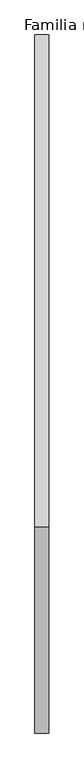
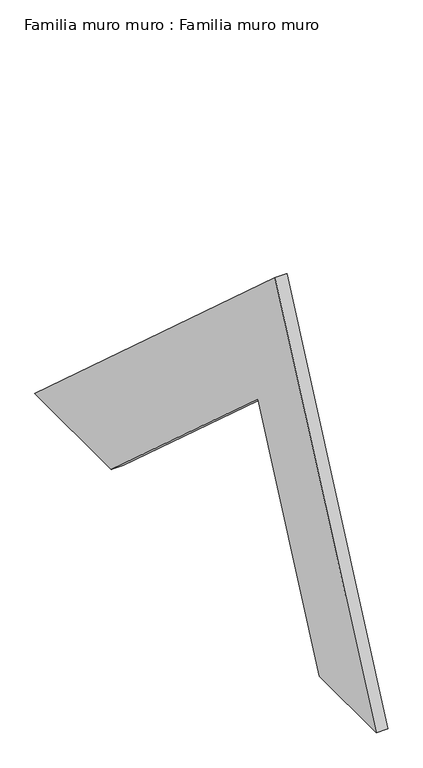
"""IFC4 building model written with IfcOpenShell, lengths in millimetres: plate geometry, Familia muro muro : Familia muro muro."""

import ifcopenshell
import ifcopenshell.guid

model = None  # the IFC model being written
_history = None  # IfcOwnerHistory: only IFC2X3 demands one
_inside = {}  # id of a spatial element -> (the spatial element, [elements in it])
_under = {}  # id of a project, library or spatial element -> (it, [spatial elements below it])
_declared = {}  # id of a project -> (the project, [libraries it declares])
_typed = {}  # id of a type object -> (the type object, [elements of that type])
_made_of = {}  # id of a material, layer set ... -> (it, [elements and type objects made of it])


def new_model(schema):
    """Start an empty IFC model of exactly this schema.

    Asked for "IFC4X3", IfcOpenShell would pick the latest addendum, in which some entities
    have other attributes; the version numbers below select the first issue.
    IFC2X3 requires an IfcOwnerHistory on every rooted entity: one is made here for all.
    """
    global model, _history
    if schema == "IFC4X3":
        model = ifcopenshell.file(schema_version=(4, 3, 0, 0))
    else:
        model = ifcopenshell.file(schema=schema)
    _inside.clear()
    _under.clear()
    _declared.clear()
    _typed.clear()
    _made_of.clear()
    _history = None
    if model.schema == "IFC2X3":
        org = make("IfcOrganization", Name="unknown")
        user = make(
            "IfcPersonAndOrganization",
            ThePerson=make("IfcPerson", FamilyName="unknown"),
            TheOrganization=org,
        )
        app = make(
            "IfcApplication",
            ApplicationDeveloper=org,
            Version="unknown",
            ApplicationFullName="unknown",
            ApplicationIdentifier="unknown",
        )
        _history = make(
            "IfcOwnerHistory",
            OwningUser=user,
            OwningApplication=app,
            ChangeAction="ADDED",
            CreationDate=0,
        )
    return model


def make(cls, **values):
    """One entity of the class cls with the attributes given. An attribute that is None is left unset."""
    return model.create_entity(
        cls, **{name: value for name, value in values.items() if value is not None}
    )


def rooted(cls, **values):
    """An entity with a GlobalId (a new one), such as an element, a storey or a relation."""
    return make(cls, GlobalId=ifcopenshell.guid.new(), OwnerHistory=_history, **values)


def si_unit(unit_type, name, prefix=None):
    """IfcSIUnit, for example si_unit("LENGTHUNIT", "METRE", prefix="MILLI")."""
    return make("IfcSIUnit", UnitType=unit_type, Prefix=prefix, Name=name)


def assignment(units):
    """IfcUnitAssignment: the units of a project."""
    return None if units is None else make("IfcUnitAssignment", Units=units)


def point(xyz):
    """IfcCartesianPoint."""
    return None if xyz is None else make("IfcCartesianPoint", Coordinates=xyz)


def direction(xyz):
    """IfcDirection."""
    return None if xyz is None else make("IfcDirection", DirectionRatios=xyz)


def frame(location, z_axis=None, x_axis=None):
    """IfcAxis2Placement3D, a coordinate frame: its origin and axes. An axis left out is left unset."""
    return make(
        "IfcAxis2Placement3D",
        Location=point(location),
        Axis=direction(z_axis),
        RefDirection=direction(x_axis),
    )


def origin():
    """The frame at (0, 0, 0) with its axes left unset."""
    return frame((0.0, 0.0, 0.0))


def place(relative_to, where):
    """IfcLocalPlacement: puts the frame where relative to a parent placement (None: the world)."""
    return make(
        "IfcLocalPlacement", PlacementRelTo=relative_to, RelativePlacement=where
    )


def context(
    kind, dimensions, precision=None, world=None, true_north=None, identifier=None
):
    """IfcGeometricRepresentationContext, for example the 3D "Model" context."""
    return make(
        "IfcGeometricRepresentationContext",
        ContextIdentifier=identifier,
        ContextType=kind,
        CoordinateSpaceDimension=dimensions,
        Precision=precision,
        WorldCoordinateSystem=world,
        TrueNorth=true_north,
    )


def project(units=None, contexts=None):
    """IfcProject with its units and contexts."""
    return rooted(
        "IfcProject",
        Name="project",
        RepresentationContexts=contexts,
        UnitsInContext=assignment(units),
    )


def spatial(cls, under=None, at=None, **own):
    """A site, building, storey or space (cls), placed at a placement, below another one or the project."""
    s = rooted(cls, ObjectPlacement=at, **own)
    if under is not None:
        _under.setdefault(under.id(), (under, []))[1].append(s)
    return s


def polyline(points):
    """IfcPolyline through the points."""
    return make("IfcPolyline", Points=[point(p) for p in points])


def outline(outer, holes=None, kind="AREA"):
    """IfcArbitraryClosedProfileDef: a profile drawn as a closed curve; with holes, ...WithVoids."""
    if holes is None:
        return make("IfcArbitraryClosedProfileDef", ProfileType=kind, OuterCurve=outer)
    return make(
        "IfcArbitraryProfileDefWithVoids",
        ProfileType=kind,
        OuterCurve=outer,
        InnerCurves=holes,
    )


def extrude(swept, where, along, depth):
    """IfcExtrudedAreaSolid: the profile swept, set in the frame where, extruded along a direction by depth."""
    return make(
        "IfcExtrudedAreaSolid",
        SweptArea=swept,
        Position=where,
        ExtrudedDirection=direction(along),
        Depth=depth,
    )


def shape(context_of_items, identifier, shape_type, items):
    """IfcShapeRepresentation: the items that make up one representation, for example the "Body"."""
    return make(
        "IfcShapeRepresentation",
        ContextOfItems=context_of_items,
        RepresentationIdentifier=identifier,
        RepresentationType=shape_type,
        Items=items,
    )


def source(mapping_origin, context_of_items, identifier, shape_type, items):
    """IfcRepresentationMap: a shape defined once, which mapped items show again and again."""
    return make(
        "IfcRepresentationMap",
        MappingOrigin=mapping_origin,
        MappedRepresentation=shape(context_of_items, identifier, shape_type, items),
    )


def transform(
    local_origin,
    x_axis=None,
    y_axis=None,
    z_axis=None,
    scale=None,
    scale2=None,
    scale3=None,
    uniform=True,
):
    """IfcCartesianTransformationOperator3D, or its non-uniform kind. x_axis, y_axis, z_axis: its Axis1, 2, 3."""
    if uniform:
        return make(
            "IfcCartesianTransformationOperator3D",
            Axis1=direction(x_axis),
            Axis2=direction(y_axis),
            LocalOrigin=point(local_origin),
            Scale=scale,
            Axis3=direction(z_axis),
        )
    return make(
        "IfcCartesianTransformationOperator3DnonUniform",
        Axis1=direction(x_axis),
        Axis2=direction(y_axis),
        LocalOrigin=point(local_origin),
        Scale=scale,
        Axis3=direction(z_axis),
        Scale2=scale2,
        Scale3=scale3,
    )


def mapped(mapping_source, mapping_target):
    """IfcMappedItem: shows the shape of a source again, moved by a transform."""
    return make(
        "IfcMappedItem", MappingSource=mapping_source, MappingTarget=mapping_target
    )


def made_of(thing, what):
    """Note that an element or type object is made of a material, layer set ...; save() writes the relation."""
    if what is not None:
        _made_of.setdefault(what.id(), (what, []))[1].append(thing)
    return thing


def element(
    cls,
    number,
    at=None,
    inside=None,
    cuts=None,
    type_object=None,
    material=None,
    context=None,
    identifier="Body",
    shape_type=None,
    held_by="IfcProductDefinitionShape",
    body=None,
    shapes=None,
    **own,
):
    """One element of the class cls, such as IfcWall. Its Tag is "e" and its number.

    at: its placement. inside: the storey or other place that contains it. cuts: it is an
    opening in that element (IfcRelVoidsElement). A single representation is given by context,
    identifier, shape_type and body (its items); several are given by shapes. held_by: the class
    of the entity that holds the representations. save() writes the other relations.
    """
    e = rooted(cls, Tag="e%d" % number, ObjectPlacement=at, **own)
    if body is not None:
        shapes = [shape(context, identifier, shape_type, body)]
    if shapes is not None:
        e.Representation = make(held_by, Representations=shapes)
    if inside is not None:
        _inside.setdefault(inside.id(), (inside, []))[1].append(e)
    if cuts is not None:
        rooted(
            "IfcRelVoidsElement", RelatingBuildingElement=cuts, RelatedOpeningElement=e
        )
    if type_object is not None:
        _typed.setdefault(type_object.id(), (type_object, []))[1].append(e)
    return made_of(e, material)


def aggregate(whole, parts):
    """IfcRelAggregates: a whole, such as a stair, and the parts it consists of."""
    return rooted("IfcRelAggregates", RelatingObject=whole, RelatedObjects=parts)


def save(model, path):
    """Write the relations noted so far, then the file.

    IfcRelAggregates (storeys below a building ...), IfcRelContainedInSpatialStructure (elements
    in a storey), IfcRelDefinesByType, IfcRelAssociatesMaterial and IfcRelDeclares: one each for
    every whole, place, type object, material and project.
    """
    for whole, parts in _under.values():
        aggregate(whole, parts)
    for where, things in _inside.values():
        rooted(
            "IfcRelContainedInSpatialStructure",
            RelatedElements=things,
            RelatingStructure=where,
        )
    for kind, things in _typed.values():
        rooted("IfcRelDefinesByType", RelatedObjects=things, RelatingType=kind)
    for what, things in _made_of.values():
        rooted("IfcRelAssociatesMaterial", RelatedObjects=things, RelatingMaterial=what)
    for by, libraries in _declared.values():
        rooted("IfcRelDeclares", RelatingContext=by, RelatedDefinitions=libraries)
    model.write(path)


def familia_muro_muro_familia_muro_muro_d07389f9(model_context):
    return source(origin(), model_context, "Body", "SweptSolid", [
        extrude(outline(polyline([(-704.29216, 634.1475093), (0.0, 0.0), (-224.1714825, 0.0), (-654.0163622, 387.0340681), (-834.4933122, 0.0), (-1000.0, 0.0), (-704.29216, 634.1475093)])), frame((0.0, 0.0, 0.0), z_axis=(1.0, 0.0, 0.0), x_axis=(0.0, 1.0, 0.0)), (0.0, 0.0, 1.0), 20.0),
    ])


if __name__ == "__main__":
    model = new_model("IFC4")
    model_context = context("Model", 3, world=origin())
    ifc_project = project(units=[si_unit("LENGTHUNIT", "METRE", prefix="MILLI")], contexts=[model_context])
    site = spatial("IfcSite", under=ifc_project)
    building = spatial("IfcBuilding", under=site)
    placement = place(None, origin())
    familia_muro_muro_familia_muro_muro_shape = familia_muro_muro_familia_muro_muro_d07389f9(model_context)
    element("IfcPlate", 1, ObjectType="Familia muro muro : Familia muro muro", at=placement, inside=building, context=model_context, shape_type="MappedRepresentation", body=[
        mapped(familia_muro_muro_familia_muro_muro_shape, transform((0.0, 0.0, 0.0), x_axis=(1.0, 0.0, 0.0), y_axis=(0.0, 1.0, 0.0), z_axis=(0.0, 0.0, 1.0))),
    ])
    save(model, "model.ifc")
